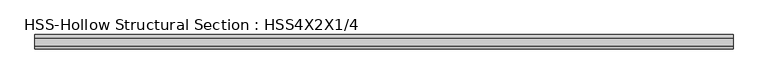
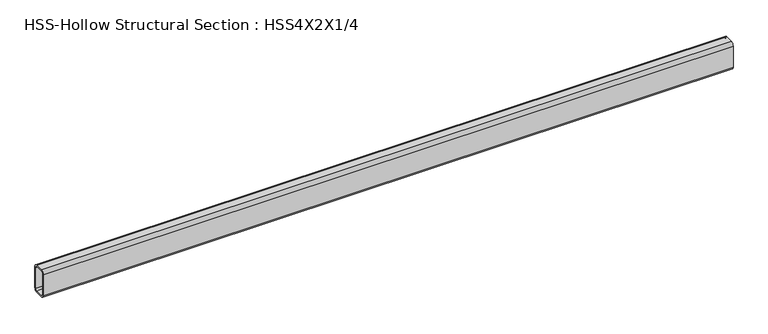
"""IFC4 building model written with IfcOpenShell, lengths in millimetres: beam geometry, HSS-Hollow Structural Section : HSS4X2X1/4."""

from ifc_helpers import new_model, si_unit, point, frame, frame_2d, origin, place, context, project, spatial, polyline, circle_curve, trimmed, segment, composite_curve, outline, extrude, source, transform, mapped, element, save


def hss_hollow_structural_section_hss4x2x1_4_967bd381(model_context):
    return source(origin(), model_context, "Body", "SweptSolid", [
        extrude(outline(composite_curve([segment(polyline([(25.4, 38.9636), (25.4, -38.9636)]), True, "CONTINUOUS"), segment(trimmed(circle_curve(frame_2d((13.5636, -38.9636)), 11.8364), [point((25.4, -38.9636))], [point((13.5636, -50.8))], False, "CARTESIAN"), True, "CONTINUOUS"), segment(polyline([(13.5636, -50.8), (-13.5636, -50.8)]), True, "CONTINUOUS"), segment(trimmed(circle_curve(frame_2d((-13.5636, -38.9636)), 11.8364), [point((-13.5636, -50.8))], [point((-25.4, -38.9636))], False, "CARTESIAN"), True, "CONTINUOUS"), segment(polyline([(-25.4, -38.9636), (-25.4, 38.9636)]), True, "CONTINUOUS"), segment(trimmed(circle_curve(frame_2d((-13.5636, 38.9636)), 11.8364), [point((-25.4, 38.9636))], [point((-13.5636, 50.8))], False, "CARTESIAN"), True, "CONTINUOUS"), segment(polyline([(-13.5636, 50.8), (13.5636, 50.8)]), True, "CONTINUOUS"), segment(trimmed(circle_curve(frame_2d((13.5636, 38.9636)), 11.8364), [point((13.5636, 50.8))], [point((25.4, 38.9636))], False, "CARTESIAN"), True, "CONTINUOUS")], self_intersect=False), holes=[composite_curve([segment(trimmed(circle_curve(frame_2d((-13.5636, 38.9636)), 5.9182), [point((-13.5636, 44.8818))], [point((-19.4818, 38.9636))], True, "CARTESIAN"), True, "CONTINUOUS"), segment(polyline([(-19.4818, 38.9636), (-19.4818, -38.9636)]), True, "CONTINUOUS"), segment(trimmed(circle_curve(frame_2d((-13.5636, -38.9636)), 5.9182), [point((-19.4818, -38.9636))], [point((-13.5636, -44.8818))], True, "CARTESIAN"), True, "CONTINUOUS"), segment(polyline([(-13.5636, -44.8818), (13.5636, -44.8818)]), True, "CONTINUOUS"), segment(trimmed(circle_curve(frame_2d((13.5636, -38.9636)), 5.9182), [point((13.5636, -44.8818))], [point((19.4818, -38.9636))], True, "CARTESIAN"), True, "CONTINUOUS"), segment(polyline([(19.4818, -38.9636), (19.4818, 38.9636)]), True, "CONTINUOUS"), segment(trimmed(circle_curve(frame_2d((13.5636, 38.9636)), 5.9182), [point((19.4818, 38.9636))], [point((13.5636, 44.8818))], True, "CARTESIAN"), True, "CONTINUOUS"), segment(polyline([(13.5636, 44.8818), (-13.5636, 44.8818)]), True, "CONTINUOUS")], self_intersect=False)]), frame((-1224.153, 0.0, 0.0), z_axis=(1.0, 0.0, 0.0), x_axis=(0.0, 1.0, 0.0)), (0.0, 0.0, 1.0), 2448.306),
    ])


if __name__ == "__main__":
    model = new_model("IFC4")
    model_context = context("Model", 3, world=origin())
    ifc_project = project(units=[si_unit("LENGTHUNIT", "METRE", prefix="MILLI")], contexts=[model_context])
    site = spatial("IfcSite", under=ifc_project)
    building = spatial("IfcBuilding", under=site)
    placement = place(None, origin())
    hss_hollow_structural_section_hss4x2x1_4_shape = hss_hollow_structural_section_hss4x2x1_4_967bd381(model_context)
    element("IfcBeam", 1, ObjectType="HSS-Hollow Structural Section : HSS4X2X1/4", at=placement, inside=building, context=model_context, shape_type="MappedRepresentation", body=[
        mapped(hss_hollow_structural_section_hss4x2x1_4_shape, transform((0.0, 0.0, 0.0), x_axis=(1.0, 0.0, 0.0), y_axis=(0.0, 1.0, 0.0), z_axis=(0.0, 0.0, 1.0))),
    ])
    save(model, "model.ifc")
